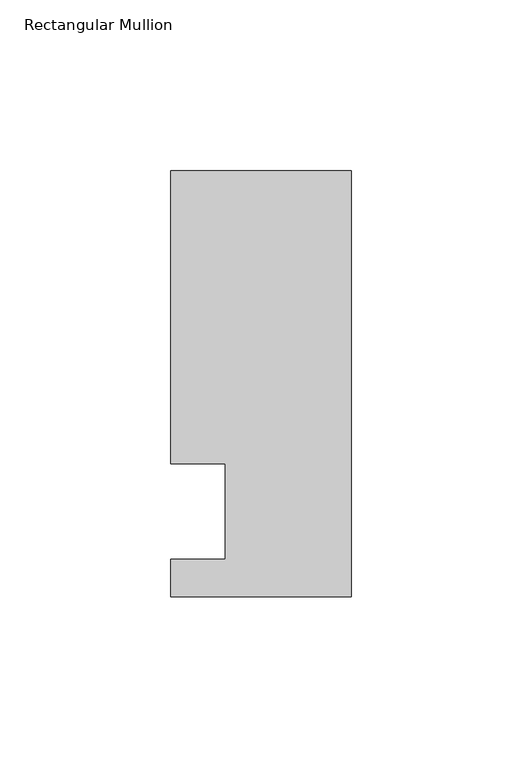
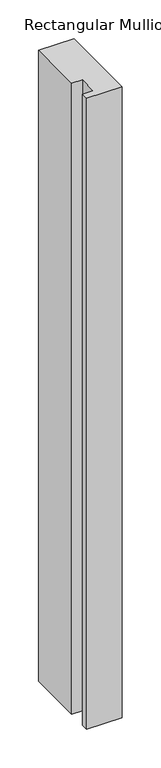
"""IFC4 building model written with IfcOpenShell, lengths in millimetres: member geometry, Rectangular Mullion."""

from ifc_helpers import new_model, si_unit, frame, origin, place, context, project, spatial, polyline, outline, extrude, source, transform, mapped, element, save


def rectangular_mullion_22ce06b2(model_context):
    return source(origin(), model_context, "Body", "SweptSolid", [
        extrude(outline(polyline([(0.0, -25.0), (-53.0, -25.0), (-53.0, -14.0), (-37.0, -14.0), (-37.0, 14.0), (-53.0, 14.0), (-53.0, 100.0), (0.0, 100.0), (0.0, -25.0)])), frame((0.0, 0.0, -995.9865328), z_axis=(0.0, 0.0, 1.0), x_axis=(1.0, 0.0, 0.0)), (0.0, 0.0, 1.0), 995.9865328),
    ])


if __name__ == "__main__":
    model = new_model("IFC4")
    model_context = context("Model", 3, world=origin())
    ifc_project = project(units=[si_unit("LENGTHUNIT", "METRE", prefix="MILLI")], contexts=[model_context])
    site = spatial("IfcSite", under=ifc_project)
    building = spatial("IfcBuilding", under=site)
    placement = place(None, origin())
    rectangular_mullion_shape = rectangular_mullion_22ce06b2(model_context)
    element("IfcMember", 1, ObjectType="Rectangular Mullion", at=placement, inside=building, context=model_context, shape_type="MappedRepresentation", body=[
        mapped(rectangular_mullion_shape, transform((0.0, 0.0, 0.0), x_axis=(1.0, 0.0, 0.0), y_axis=(0.0, 1.0, 0.0), z_axis=(0.0, 0.0, 1.0))),
    ])
    save(model, "model.ifc")
